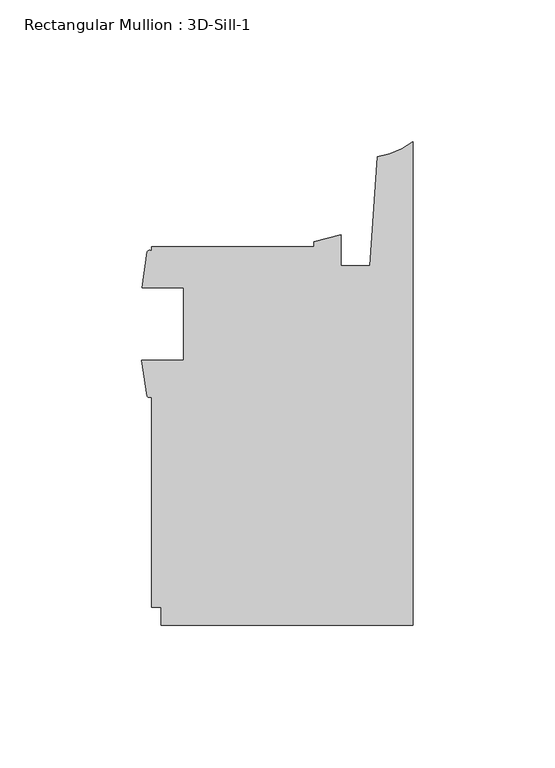
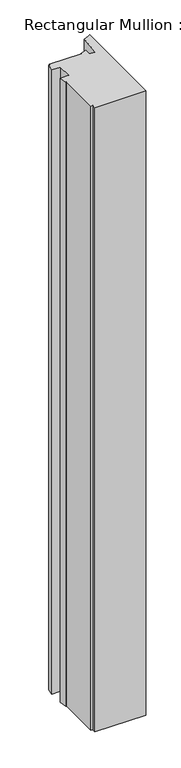
"""IFC4 building model written with IfcOpenShell, lengths in millimetres: member geometry, Rectangular Mullion : 3D-Sill-1."""

from ifc_helpers import new_model, si_unit, point, frame, frame_2d, origin, place, context, project, spatial, polyline, circle_curve, trimmed, segment, composite_curve, outline, extrude, source, transform, mapped, element, save


def rectangular_mullion_3d_sill_1_2ba4e717(model_context):
    return source(origin(), model_context, "Body", "SweptSolid", [
        extrude(outline(composite_curve([segment(trimmed(circle_curve(frame_2d((-92.9068292, 1.9651676)), 1.065983), [point((-92.075127, 1.2983909))], [point((-93.7385314, 1.2983909))], False, "CARTESIAN"), True, "CONTINUOUS"), segment(polyline([(-93.7385314, 1.2983909), (-95.5946487, 14.0714437), (-80.962627, 14.0714437), (-80.962627, 39.4714437), (-95.471127, 39.4714437), (-93.6610233, 52.2427313)]), True, "CONTINUOUS"), segment(trimmed(circle_curve(frame_2d((-92.8705885, 51.8025367)), 0.9047422), [point((-93.6610233, 52.2427313))], [point((-92.075127, 52.2335812))], False, "CARTESIAN"), True, "CONTINUOUS"), segment(polyline([(-92.075127, 52.2335812), (-92.075127, 53.9749687), (-34.925, 53.9749687), (-34.925, 55.706233), (-25.4, 58.1484157), (-25.4, 47.3577987), (-15.24, 47.3577987), (-12.5900978, 85.6123565)]), True, "CONTINUOUS"), segment(trimmed(circle_curve(frame_2d((-16.4585191, 112.6416656)), 27.3047292), [point((-12.5900978, 85.6123565))], [point((0.0, 90.8548488))], True, "CARTESIAN"), True, "CONTINUOUS"), segment(polyline([(0.0, 90.8548488), (0.0, -79.3749687), (-88.899973, -79.3749687), (-88.899973, -73.0250313), (-92.075127, -73.0250313), (-92.075127, 1.2983909)]), True, "CONTINUOUS")], self_intersect=False)), frame((0.0, 0.0, -1155.0109565), z_axis=(0.0, 0.0, 1.0), x_axis=(1.0, 0.0, 0.0)), (0.0, 0.0, 1.0), 1155.0109565),
    ])


if __name__ == "__main__":
    model = new_model("IFC4")
    model_context = context("Model", 3, world=origin())
    ifc_project = project(units=[si_unit("LENGTHUNIT", "METRE", prefix="MILLI")], contexts=[model_context])
    site = spatial("IfcSite", under=ifc_project)
    building = spatial("IfcBuilding", under=site)
    placement = place(None, origin())
    rectangular_mullion_3d_sill_1_shape = rectangular_mullion_3d_sill_1_2ba4e717(model_context)
    element("IfcMember", 1, ObjectType="Rectangular Mullion : 3D-Sill-1", at=placement, inside=building, context=model_context, shape_type="MappedRepresentation", body=[
        mapped(rectangular_mullion_3d_sill_1_shape, transform((0.0, 0.0, 0.0), x_axis=(1.0, 0.0, 0.0), y_axis=(0.0, 1.0, 0.0), z_axis=(0.0, 0.0, 1.0))),
    ])
    save(model, "model.ifc")
